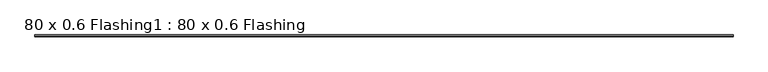
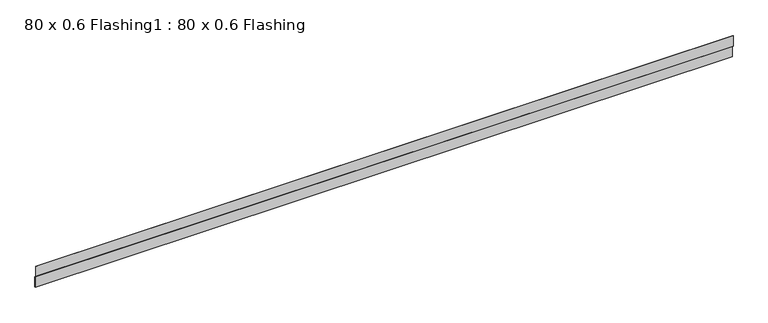
"""IFC4 building model written with IfcOpenShell, lengths in millimetres: proxy geometry, 80 x 0.6 Flashing1 : 80 x 0.6 Flashing."""

from ifc_helpers import new_model, si_unit, frame, origin, place, context, project, spatial, polyline, outline, extrude, source, transform, mapped, element, save


def proxy_80_x_0_6_flashing1_80_x_0_6_flashing_c3e9271e(model_context):
    return source(origin(), model_context, "Body", "SweptSolid", [
        extrude(outline(polyline([(-25692.7541708, 51.479818), (-25692.7541708, 88.479818), (-25691.7541708, 88.479818), (-25691.7541708, 51.9303222), (-25686.5541708, 47.3303222), (-25686.5541708, 9.567318), (-25687.5541708, 9.567318), (-25687.5541708, 46.879818), (-25692.7541708, 51.479818)])), frame((-7955.3690716, 0.0, 0.0), z_axis=(1.0, 0.0, 0.0), x_axis=(0.0, 1.0, 0.0)), (0.0, 0.0, 1.0), 2400.0),
    ])


if __name__ == "__main__":
    model = new_model("IFC4")
    model_context = context("Model", 3, world=origin())
    ifc_project = project(units=[si_unit("LENGTHUNIT", "METRE", prefix="MILLI")], contexts=[model_context])
    site = spatial("IfcSite", under=ifc_project)
    building = spatial("IfcBuilding", under=site)
    placement = place(None, origin())
    proxy_80_x_0_6_flashing1_80_x_0_6_flashing_shape = proxy_80_x_0_6_flashing1_80_x_0_6_flashing_c3e9271e(model_context)
    element("IfcBuildingElementProxy", 1, Name="80 x 0.6 Flashing1 : 80 x 0.6 Flashing", ObjectType="80 x 0.6 Flashing1 : 80 x 0.6 Flashing", at=placement, inside=building, context=model_context, shape_type="MappedRepresentation", body=[
        mapped(proxy_80_x_0_6_flashing1_80_x_0_6_flashing_shape, transform((0.0, 0.0, 0.0), x_axis=(1.0, 0.0, 0.0), y_axis=(0.0, 1.0, 0.0), z_axis=(0.0, 0.0, 1.0))),
    ])
    save(model, "model.ifc")
